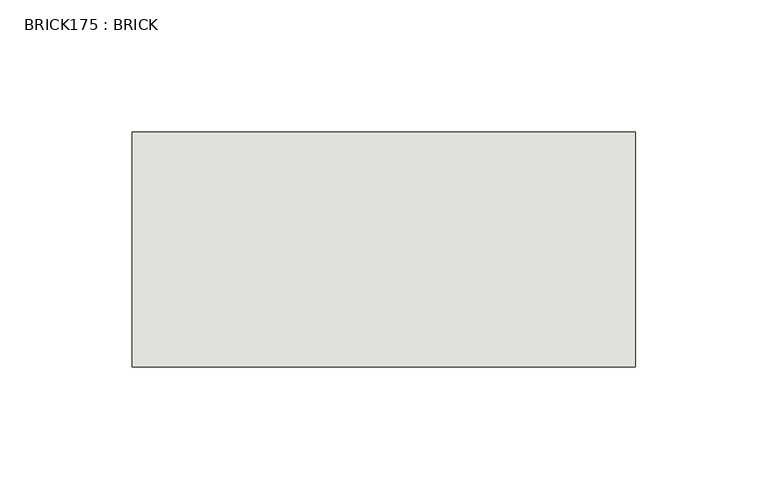
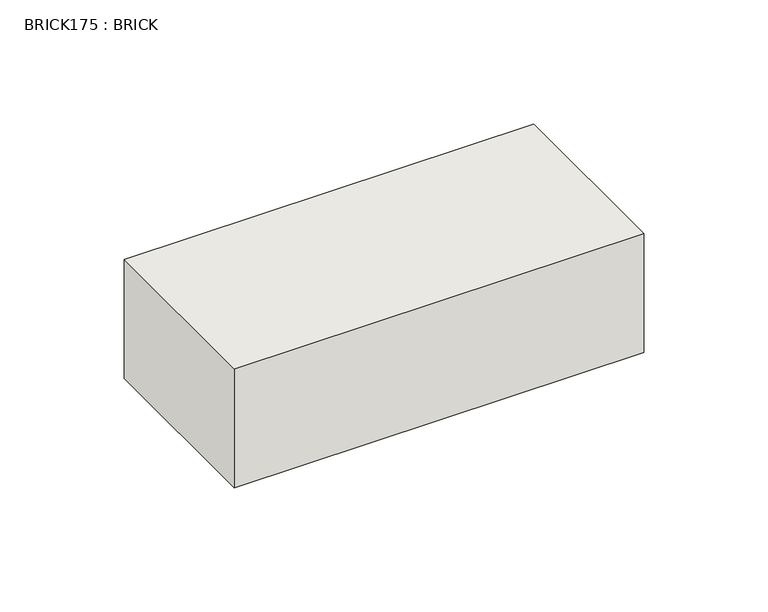
"""IFC4 building model written with IfcOpenShell, lengths in millimetres: wall geometry, BRICK175 : BRICK."""

from ifc_helpers import new_model, si_unit, frame, origin, place, context, project, spatial, polyline, outline, extrude, source, transform, mapped, element, save


def brick175_brick_609d6c67(model_context):
    return source(origin(), model_context, "Body", "SweptSolid", [
        extrude(outline(polyline([(-58.6574357, 3062.3923312), (131.8425643, 3062.3923312), (131.8425643, 2973.4923312), (-58.6574357, 2973.4923312), (-58.6574357, 3062.3923312)])), frame((0.0, 0.0, 423.2671875), z_axis=(0.0, 0.0, 1.0), x_axis=(1.0, 0.0, 0.0)), (0.0, 0.0, 1.0), 58.4398437),
    ])


if __name__ == "__main__":
    model = new_model("IFC4")
    model_context = context("Model", 3, world=origin())
    ifc_project = project(units=[si_unit("LENGTHUNIT", "METRE", prefix="MILLI")], contexts=[model_context])
    site = spatial("IfcSite", under=ifc_project)
    building = spatial("IfcBuilding", under=site)
    placement = place(None, origin())
    brick175_brick_shape = brick175_brick_609d6c67(model_context)
    element("IfcWall", 1, ObjectType="BRICK175 : BRICK", at=placement, inside=building, context=model_context, shape_type="MappedRepresentation", body=[
        mapped(brick175_brick_shape, transform((0.0, 0.0, 0.0), x_axis=(1.0, 0.0, 0.0), y_axis=(0.0, 1.0, 0.0), z_axis=(0.0, 0.0, 1.0))),
    ])
    save(model, "model.ifc")
